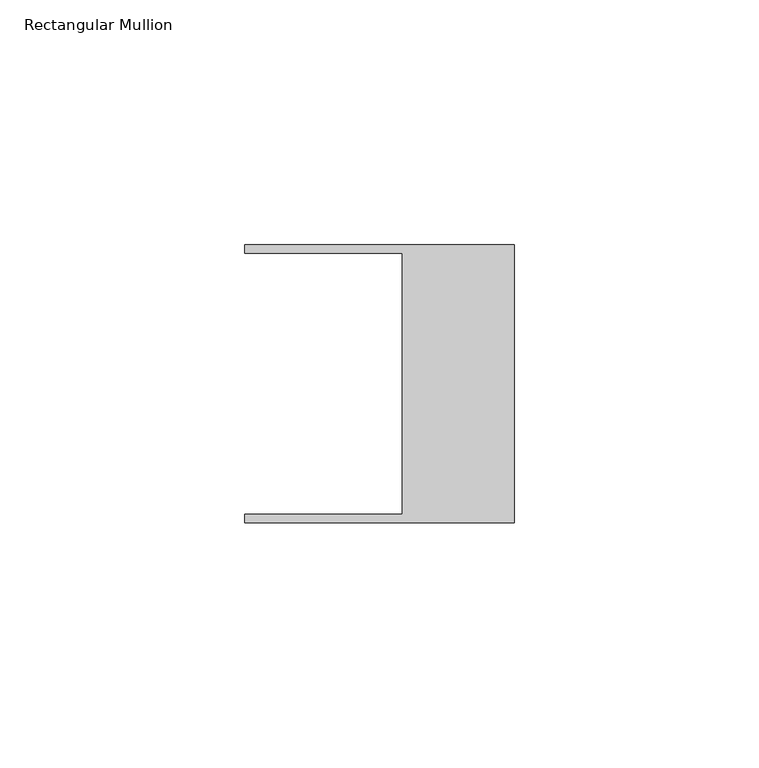
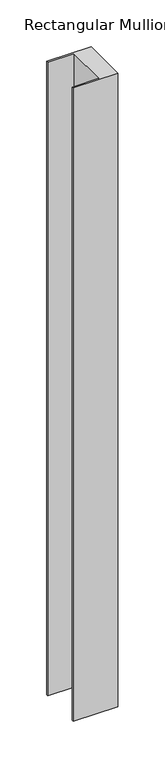
"""IFC4 building model written with IfcOpenShell, lengths in millimetres: member geometry, Rectangular Mullion."""

from ifc_helpers import new_model, si_unit, frame, origin, place, context, project, spatial, polyline, outline, extrude, source, transform, mapped, element, save


def rectangular_mullion_51de0c39(model_context):
    return source(origin(), model_context, "Body", "SweptSolid", [
        extrude(outline(polyline([(-55.118, -26.67), (-22.86, -26.67), (-22.86, 26.67), (-55.118, 26.67), (-55.118, 28.448), (0.0, 28.448), (0.0, -28.448), (-55.118, -28.448), (-55.118, -26.67)])), frame((0.0, 0.0, -828.1414866), z_axis=(0.0, 0.0, 1.0), x_axis=(1.0, 0.0, 0.0)), (0.0, 0.0, 1.0), 828.1414866),
    ])


if __name__ == "__main__":
    model = new_model("IFC4")
    model_context = context("Model", 3, world=origin())
    ifc_project = project(units=[si_unit("LENGTHUNIT", "METRE", prefix="MILLI")], contexts=[model_context])
    site = spatial("IfcSite", under=ifc_project)
    building = spatial("IfcBuilding", under=site)
    placement = place(None, origin())
    rectangular_mullion_shape = rectangular_mullion_51de0c39(model_context)
    element("IfcMember", 1, ObjectType="Rectangular Mullion", at=placement, inside=building, context=model_context, shape_type="MappedRepresentation", body=[
        mapped(rectangular_mullion_shape, transform((0.0, 0.0, 0.0), x_axis=(1.0, 0.0, 0.0), y_axis=(0.0, 1.0, 0.0), z_axis=(0.0, 0.0, 1.0))),
    ])
    save(model, "model.ifc")
